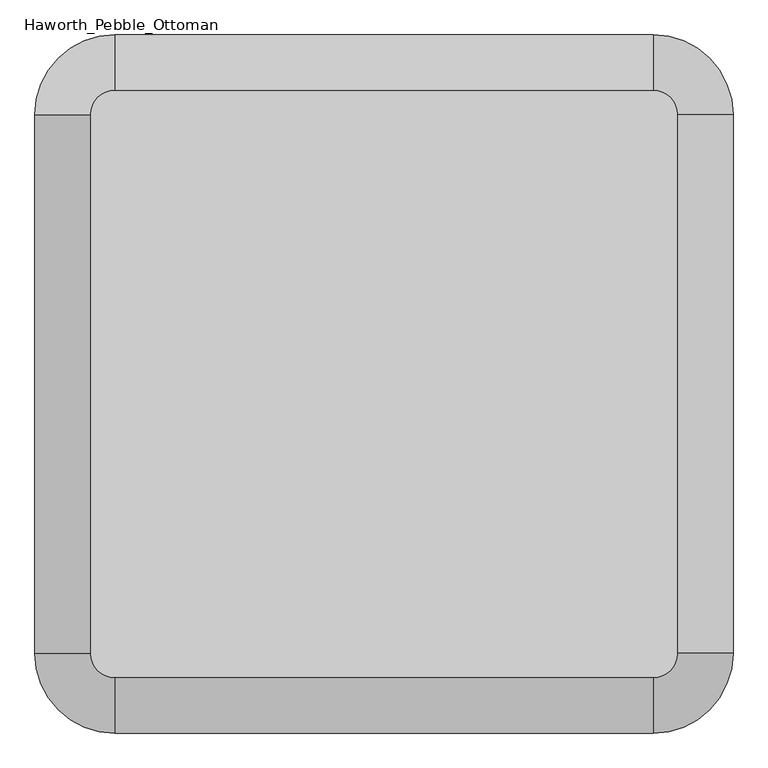
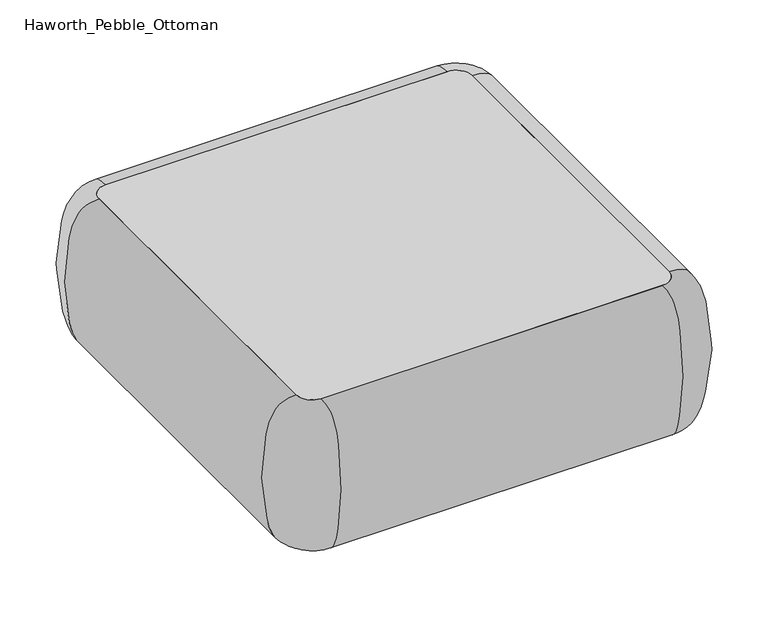
"""IFC4 building model written with IfcOpenShell, lengths in millimetres: furniture geometry, Haworth_Pebble_Ottoman."""

from ifc_helpers import new_model, si_unit, point, frame, frame_2d, origin, origin_with_axes, place, context, project, spatial, polyline, circle_curve, trimmed, segment, composite_curve, outline, extrude, source, transform, mapped, element, save
from ifc_brep_helpers import plane_surface, revolved_surface, extruded_surface, spline_curve, advanced_brep


def haworth_pebble_ottoman_b57986ad(model_context):
    return source(origin(), model_context, "Body", "SolidModel", [
        advanced_brep(
        [(-443.1410398, 63.0075367, 431.4267645), (-401.4691648, 104.6794117, 431.4267645), (-401.4691648, 104.6794117, 15.9000004), (-443.1410398, 63.0075367, 15.9000004), (-443.1410398, -858.249436, 15.9000004), (-443.1410398, -858.249436, 431.4267645), (519.7716742, 104.6794117, 431.4267645), (519.7716742, 104.6794117, 15.9000004), (-401.4691648, -899.921311, 431.4267645), (-401.4691648, -899.921311, 15.9000004), (519.7716742, -899.921311, 15.9000004), (519.7716742, -899.921311, 431.4267645), (561.4435492, -858.249436, 431.4267645), (561.4435492, -858.249436, 15.9000004), (561.4435492, 63.0075367, 15.9000004), (561.4435492, 63.0075367, 431.4267645)],
        [
            (0, 1, circle_curve(frame((-401.4691648, 63.0075367, 431.4267645), z_axis=(0.0, 0.0, -1.0), x_axis=(0.0, 1.0, 0.0)), 41.671875)),
            (1, 2, spline_curve(3, [(-401.4691648, 104.6794117, 431.4267645), (-401.4691648, 144.634981119, 431.4267645), (-401.4691648, 155.711319454, 418.111325992), (-401.4691648, 177.276123887, 387.074624676), (-401.4691648, 181.912418903, 372.805576067), (-401.4691648, 192.947844651, 318.739710756), (-401.4691648, 199.451872324, 272.461148795), (-401.4691648, 199.109257277, 183.217431721), (-401.4691648, 191.69901119, 140.468636482), (-401.4691648, 179.972265172, 86.422119583), (-401.4691648, 175.4225976, 69.442528942), (-401.4691648, 160.593087077, 40.550023909), (-401.4691648, 152.58572731, 28.736458982), (-401.4691648, 104.6794117, 15.9000004)], [4, 2, 2, 2, 2, 2, 4], [0.0, 0.14234338208612818, 0.3844442925433662, 0.7007195720884005, 1.0300826792167348, 1.2544468815012602, 1.4077182079104207])),
            (2, 3, circle_curve(frame((-401.4691648, 63.0075367, 15.9000004), z_axis=(0.0, 0.0, 1.0), x_axis=(0.0, 1.0, 0.0)), 41.671875)),
            (3, 0, spline_curve(3, [(-443.1410398, 63.0075367, 15.9000004), (-491.04735541, 63.0075367, 28.736458982), (-499.054715177, 63.0075367, 40.550023909), (-513.8842257, 63.0075367, 69.442528942), (-518.433893272, 63.0075367, 86.422119583), (-530.16063929, 63.0075367, 140.468636482), (-537.570885377, 63.0075367, 183.217431721), (-537.913500424, 63.0075367, 272.461148795), (-531.409472651, 63.0075367, 318.739710756), (-520.374046903, 63.0075367, 372.805576067), (-515.737751987, 63.0075367, 387.074624676), (-494.172947554, 63.0075367, 418.111325992), (-483.096609219, 63.0075367, 431.4267645), (-443.1410398, 63.0075367, 431.4267645)], [4, 2, 2, 2, 2, 2, 4], [0.0, 0.15327132640916052, 0.3776355286936859, 0.7069986358220202, 1.0232739153670545, 1.2653748258242925, 1.4077182079104207])),
            (2, 1),
            (0, 3),
            (3, 4),
            (4, 5, spline_curve(3, [(-443.1410398, -858.249436, 15.9000004), (-491.04735541, -858.249436, 28.736458982), (-499.054715177, -858.249436, 40.550023909), (-513.8842257, -858.249436, 69.442528942), (-518.433893272, -858.249436, 86.422119583), (-530.16063929, -858.249436, 140.468636482), (-537.570885377, -858.249436, 183.217431721), (-537.913500424, -858.249436, 272.461148795), (-531.409472651, -858.249436, 318.739710756), (-520.374046903, -858.249436, 372.805576067), (-515.737751987, -858.249436, 387.074624676), (-494.172947554, -858.249436, 418.111325992), (-483.096609219, -858.249436, 431.4267645), (-443.1410398, -858.249436, 431.4267645)], [4, 2, 2, 2, 2, 2, 4], [0.0, 0.15327132640916052, 0.3776355286936859, 0.7069986358220202, 1.0232739153670545, 1.2653748258242925, 1.4077182079104207])),
            (5, 0),
            (5, 4),
            (6, 7, spline_curve(3, [(519.7716742, 104.6794117, 431.4267645), (519.7716742, 144.634981119, 431.4267645), (519.7716742, 155.711319454, 418.111325992), (519.7716742, 177.276123887, 387.074624676), (519.7716742, 181.912418903, 372.805576067), (519.7716742, 192.947844651, 318.739710756), (519.7716742, 199.451872324, 272.461148795), (519.7716742, 199.109257277, 183.217431721), (519.7716742, 191.69901119, 140.468636482), (519.7716742, 179.972265172, 86.422119583), (519.7716742, 175.4225976, 69.442528942), (519.7716742, 160.593087077, 40.550023909), (519.7716742, 152.58572731, 28.736458982), (519.7716742, 104.6794117, 15.9000004)], [4, 2, 2, 2, 2, 2, 4], [0.0, 0.14234338208612818, 0.3844442925433662, 0.7007195720884005, 1.0300826792167348, 1.2544468815012602, 1.4077182079104207])),
            (7, 2),
            (1, 6),
            (7, 6),
            (8, 5, circle_curve(frame((-401.4691648, -858.249436, 431.4267645), z_axis=(0.0, 0.0, -1.0), x_axis=(-1.0, 0.0, 0.0)), 41.671875)),
            (4, 9, circle_curve(frame((-401.4691648, -858.249436, 15.9000004), z_axis=(0.0, 0.0, 1.0), x_axis=(-1.0, 0.0, 0.0)), 41.671875)),
            (9, 8, spline_curve(3, [(-401.4691648, -899.921311, 15.9000004), (-401.4691648, -947.82762661, 28.736458982), (-401.4691648, -955.834986277, 40.550023909), (-401.4691648, -970.6644968, 69.442528942), (-401.4691648, -975.214164372, 86.422119583), (-401.4691648, -986.94091039, 140.468636482), (-401.4691648, -994.351156477, 183.217431721), (-401.4691648, -994.693771524, 272.461148795), (-401.4691648, -988.189743851, 318.739710756), (-401.4691648, -977.154318103, 372.805576067), (-401.4691648, -972.518023087, 387.074624676), (-401.4691648, -950.953218654, 418.111325992), (-401.4691648, -939.876880419, 431.4267645), (-401.4691648, -899.921311, 431.4267645)], [4, 2, 2, 2, 2, 2, 4], [0.0, 0.15327132640916052, 0.3776355286936859, 0.7069986358220202, 1.0232739153670545, 1.2653748258242925, 1.4077182079104207])),
            (8, 9),
            (9, 10),
            (10, 11, spline_curve(3, [(519.7716742, -899.921311, 15.9000004), (519.7716742, -947.82762661, 28.736458982), (519.7716742, -955.834986277, 40.550023909), (519.7716742, -970.6644968, 69.442528942), (519.7716742, -975.214164372, 86.422119583), (519.7716742, -986.94091039, 140.468636482), (519.7716742, -994.351156477, 183.217431721), (519.7716742, -994.693771524, 272.461148795), (519.7716742, -988.189743851, 318.739710756), (519.7716742, -977.154318103, 372.805576067), (519.7716742, -972.518023087, 387.074624676), (519.7716742, -950.953218654, 418.111325992), (519.7716742, -939.876880419, 431.4267645), (519.7716742, -899.921311, 431.4267645)], [4, 2, 2, 2, 2, 2, 4], [0.0, 0.15327132640916052, 0.3776355286936859, 0.7069986358220202, 1.0232739153670545, 1.2653748258242925, 1.4077182079104207])),
            (11, 8),
            (11, 10),
            (12, 11, circle_curve(frame((519.7716742, -858.249436, 431.4267645), z_axis=(0.0, 0.0, -1.0), x_axis=(0.0, -1.0, 0.0)), 41.671875)),
            (10, 13, circle_curve(frame((519.7716742, -858.249436, 15.9000004), z_axis=(0.0, 0.0, 1.0), x_axis=(0.0, -1.0, 0.0)), 41.671875)),
            (13, 12, spline_curve(3, [(561.4435492, -858.249436, 15.9000004), (609.34986481, -858.249436, 28.736458982), (617.357224577, -858.249436, 40.550023909), (632.1867351, -858.249436, 69.442528942), (636.736402672, -858.249436, 86.422119583), (648.46314869, -858.249436, 140.468636482), (655.873394777, -858.249436, 183.217431721), (656.216009824, -858.249436, 272.461148795), (649.711982051, -858.249436, 318.739710756), (638.676556303, -858.249436, 372.805576067), (634.040261387, -858.249436, 387.074624676), (612.475456954, -858.249436, 418.111325992), (601.399118619, -858.249436, 431.4267645), (561.4435492, -858.249436, 431.4267645)], [4, 2, 2, 2, 2, 2, 4], [0.0, 0.15327132640916052, 0.3776355286936859, 0.7069986358220202, 1.0232739153670545, 1.2653748258242925, 1.4077182079104207])),
            (12, 13),
            (13, 14),
            (14, 15, spline_curve(3, [(561.4435492, 63.0075367, 15.9000004), (609.34986481, 63.0075367, 28.736458982), (617.357224577, 63.0075367, 40.550023909), (632.1867351, 63.0075367, 69.442528942), (636.736402672, 63.0075367, 86.422119583), (648.46314869, 63.0075367, 140.468636482), (655.873394777, 63.0075367, 183.217431721), (656.216009824, 63.0075367, 272.461148795), (649.711982051, 63.0075367, 318.739710756), (638.676556303, 63.0075367, 372.805576067), (634.040261387, 63.0075367, 387.074624676), (612.475456954, 63.0075367, 418.111325992), (601.399118619, 63.0075367, 431.4267645), (561.4435492, 63.0075367, 431.4267645)], [4, 2, 2, 2, 2, 2, 4], [0.0, 0.15327132640916052, 0.3776355286936859, 0.7069986358220202, 1.0232739153670545, 1.2653748258242925, 1.4077182079104207])),
            (15, 12),
            (15, 14),
            (6, 15, circle_curve(frame((519.7716742, 63.0075367, 431.4267645), z_axis=(0.0, 0.0, -1.0), x_axis=(1.0, 0.0, 0.0)), 41.671875)),
            (14, 7, circle_curve(frame((519.7716742, 63.0075367, 15.9000004), z_axis=(0.0, 0.0, 1.0), x_axis=(1.0, 0.0, 0.0)), 41.671875)),
        ],
        [
            revolved_surface(spline_curve(3, [(-401.4691648, 104.6794117, 15.9000004), (-401.4691648, 152.58572731, 28.736458982), (-401.4691648, 160.593087077, 40.550023909), (-401.4691648, 175.4225976, 69.442528942), (-401.4691648, 179.972265172, 86.422119583), (-401.4691648, 191.69901119, 140.468636482), (-401.4691648, 199.109257277, 183.217431721), (-401.4691648, 199.451872324, 272.461148795), (-401.4691648, 192.947844651, 318.739710756), (-401.4691648, 181.912418903, 372.805576067), (-401.4691648, 177.276123887, 387.074624676), (-401.4691648, 155.711319454, 418.111325992), (-401.4691648, 144.634981119, 431.4267645), (-401.4691648, 104.6794117, 431.4267645)], [4, 2, 2, 2, 2, 2, 4], [0.0, 0.15327132640916052, 0.3776355286936859, 0.7069986358220202, 1.0232739153670545, 1.2653748258242925, 1.4077182079104207]), (-401.4691648, 63.0075367, 584.2), (0.0, 0.0, 1.0)),
            revolved_surface(polyline([(-401.4691648, 104.6794117, 431.4267645), (-401.4691648, 104.6794117, 15.900000399999954)]), (-401.4691648, 63.0075367, 584.2), (0.0, 0.0, 1.0)),
            extruded_surface(spline_curve(3, [(-443.1410398, -858.249436, 15.9000004), (-491.04735541, -858.249436, 28.736458982), (-499.054715177, -858.249436, 40.550023909), (-513.8842257, -858.249436, 69.442528942), (-518.433893272, -858.249436, 86.422119583), (-530.16063929, -858.249436, 140.468636482), (-537.570885377, -858.249436, 183.217431721), (-537.913500424, -858.249436, 272.461148795), (-531.409472651, -858.249436, 318.739710756), (-520.374046903, -858.249436, 372.805576067), (-515.737751987, -858.249436, 387.074624676), (-494.172947554, -858.249436, 418.111325992), (-483.096609219, -858.249436, 431.4267645), (-443.1410398, -858.249436, 431.4267645)], [4, 2, 2, 2, 2, 2, 4], [0.0, 0.15327132640916052, 0.3776355286936859, 0.7069986358220202, 1.0232739153670545, 1.2653748258242925, 1.4077182079104207]), (0.0, 921.2569727, 0.0), 921.2569727),
            plane_surface(frame((-443.1410398, 63.0075367, 431.4267645), z_axis=(1.0, 0.0, 0.0), x_axis=(0.0, -1.0, 0.0))),
            extruded_surface(spline_curve(3, [(-401.4691648, 104.6794117, 15.9000004), (-401.4691648, 152.58572731, 28.736458982), (-401.4691648, 160.593087077, 40.550023909), (-401.4691648, 175.4225976, 69.442528942), (-401.4691648, 179.972265172, 86.422119583), (-401.4691648, 191.69901119, 140.468636482), (-401.4691648, 199.109257277, 183.217431721), (-401.4691648, 199.451872324, 272.461148795), (-401.4691648, 192.947844651, 318.739710756), (-401.4691648, 181.912418903, 372.805576067), (-401.4691648, 177.276123887, 387.074624676), (-401.4691648, 155.711319454, 418.111325992), (-401.4691648, 144.634981119, 431.4267645), (-401.4691648, 104.6794117, 431.4267645)], [4, 2, 2, 2, 2, 2, 4], [0.0, 0.15327132640916052, 0.3776355286936859, 0.7069986358220202, 1.0232739153670545, 1.2653748258242925, 1.4077182079104207]), (921.240839, 0.0, 0.0), 921.240839),
            plane_surface(frame((519.7716742, 104.6794117, 431.4267645), z_axis=(0.0, -1.0, 0.0), x_axis=(-1.0, 0.0, 0.0))),
            revolved_surface(spline_curve(3, [(-443.1410398, -858.249436, 15.9000004), (-491.04735541, -858.249436, 28.736458982), (-499.054715177, -858.249436, 40.550023909), (-513.8842257, -858.249436, 69.442528942), (-518.433893272, -858.249436, 86.422119583), (-530.16063929, -858.249436, 140.468636482), (-537.570885377, -858.249436, 183.217431721), (-537.913500424, -858.249436, 272.461148795), (-531.409472651, -858.249436, 318.739710756), (-520.374046903, -858.249436, 372.805576067), (-515.737751987, -858.249436, 387.074624676), (-494.172947554, -858.249436, 418.111325992), (-483.096609219, -858.249436, 431.4267645), (-443.1410398, -858.249436, 431.4267645)], [4, 2, 2, 2, 2, 2, 4], [0.0, 0.15327132640916052, 0.3776355286936859, 0.7069986358220202, 1.0232739153670545, 1.2653748258242925, 1.4077182079104207]), (-401.4691648, -858.249436, 584.2), (0.0, 0.0, 1.0)),
            revolved_surface(polyline([(-443.1410398, -858.249436, 431.4267645), (-443.1410398, -858.249436, 15.900000399999954)]), (-401.4691648, -858.249436, 584.2), (0.0, 0.0, 1.0)),
            extruded_surface(spline_curve(3, [(519.7716742, -899.921311, 15.9000004), (519.7716742, -947.82762661, 28.736458982), (519.7716742, -955.834986277, 40.550023909), (519.7716742, -970.6644968, 69.442528942), (519.7716742, -975.214164372, 86.422119583), (519.7716742, -986.94091039, 140.468636482), (519.7716742, -994.351156477, 183.217431721), (519.7716742, -994.693771524, 272.461148795), (519.7716742, -988.189743851, 318.739710756), (519.7716742, -977.154318103, 372.805576067), (519.7716742, -972.518023087, 387.074624676), (519.7716742, -950.953218654, 418.111325992), (519.7716742, -939.876880419, 431.4267645), (519.7716742, -899.921311, 431.4267645)], [4, 2, 2, 2, 2, 2, 4], [0.0, 0.15327132640916052, 0.3776355286936859, 0.7069986358220202, 1.0232739153670545, 1.2653748258242925, 1.4077182079104207]), (-921.240839, 0.0, 0.0), 921.240839),
            plane_surface(frame((-401.4691648, -899.921311, 431.4267645), z_axis=(0.0, 1.0, 0.0), x_axis=(1.0, 0.0, 0.0))),
            revolved_surface(spline_curve(3, [(519.7716742, -899.921311, 15.9000004), (519.7716742, -947.82762661, 28.736458982), (519.7716742, -955.834986277, 40.550023909), (519.7716742, -970.6644968, 69.442528942), (519.7716742, -975.214164372, 86.422119583), (519.7716742, -986.94091039, 140.468636482), (519.7716742, -994.351156477, 183.217431721), (519.7716742, -994.693771524, 272.461148795), (519.7716742, -988.189743851, 318.739710756), (519.7716742, -977.154318103, 372.805576067), (519.7716742, -972.518023087, 387.074624676), (519.7716742, -950.953218654, 418.111325992), (519.7716742, -939.876880419, 431.4267645), (519.7716742, -899.921311, 431.4267645)], [4, 2, 2, 2, 2, 2, 4], [0.0, 0.15327132640916052, 0.3776355286936859, 0.7069986358220202, 1.0232739153670545, 1.2653748258242925, 1.4077182079104207]), (519.7716742, -858.249436, 584.2), (0.0, 0.0, 1.0)),
            revolved_surface(polyline([(519.7716742, -899.921311, 431.4267645), (519.7716742, -899.921311, 15.900000399999954)]), (519.7716742, -858.249436, 584.2), (0.0, 0.0, 1.0)),
            extruded_surface(spline_curve(3, [(561.4435492, 63.0075367, 15.9000004), (609.34986481, 63.0075367, 28.736458982), (617.357224577, 63.0075367, 40.550023909), (632.1867351, 63.0075367, 69.442528942), (636.736402672, 63.0075367, 86.422119583), (648.46314869, 63.0075367, 140.468636482), (655.873394777, 63.0075367, 183.217431721), (656.216009824, 63.0075367, 272.461148795), (649.711982051, 63.0075367, 318.739710756), (638.676556303, 63.0075367, 372.805576067), (634.040261387, 63.0075367, 387.074624676), (612.475456954, 63.0075367, 418.111325992), (601.399118619, 63.0075367, 431.4267645), (561.4435492, 63.0075367, 431.4267645)], [4, 2, 2, 2, 2, 2, 4], [0.0, 0.15327132640916052, 0.3776355286936859, 0.7069986358220202, 1.0232739153670545, 1.2653748258242925, 1.4077182079104207]), (0.0, -921.2569727, 0.0), 921.2569727),
            plane_surface(frame((561.4435492, -858.249436, 431.4267645), z_axis=(-1.0, 0.0, 0.0), x_axis=(0.0, 1.0, 0.0))),
            revolved_surface(spline_curve(3, [(561.4435492, 63.0075367, 15.9000004), (609.34986481, 63.0075367, 28.736458982), (617.357224577, 63.0075367, 40.550023909), (632.1867351, 63.0075367, 69.442528942), (636.736402672, 63.0075367, 86.422119583), (648.46314869, 63.0075367, 140.468636482), (655.873394777, 63.0075367, 183.217431721), (656.216009824, 63.0075367, 272.461148795), (649.711982051, 63.0075367, 318.739710756), (638.676556303, 63.0075367, 372.805576067), (634.040261387, 63.0075367, 387.074624676), (612.475456954, 63.0075367, 418.111325992), (601.399118619, 63.0075367, 431.4267645), (561.4435492, 63.0075367, 431.4267645)], [4, 2, 2, 2, 2, 2, 4], [0.0, 0.15327132640916052, 0.3776355286936859, 0.7069986358220202, 1.0232739153670545, 1.2653748258242925, 1.4077182079104207]), (519.7716742, 63.0075367, 584.2), (0.0, 0.0, 1.0)),
            revolved_surface(polyline([(561.4435492, 63.0075367, 431.4267645), (561.4435492, 63.0075367, 15.900000399999954)]), (519.7716742, 63.0075367, 584.2), (0.0, 0.0, 1.0)),
        ],
        [
            (0, [[1, 2, 3, 4]]),
            (1, [[-3, 5, -1, 6]]),
            (2, [[-4, 7, 8, 9]]),
            (3, [[-6, -9, 10, -7]]),
            (4, [[11, 12, -2, 13]]),
            (5, [[14, -13, -5, -12]]),
            (6, [[15, -8, 16, 17]]),
            (7, [[-16, -10, -15, 18]]),
            (8, [[-17, 19, 20, 21]]),
            (9, [[-18, -21, 22, -19]]),
            (10, [[23, -20, 24, 25]]),
            (11, [[-24, -22, -23, 26]]),
            (12, [[-25, 27, 28, 29]]),
            (13, [[-26, -29, 30, -27]]),
            (14, [[31, -28, 32, -11]]),
            (15, [[-32, -30, -31, -14]]),
        ],
    ),
        extrude(outline(composite_curve([segment(trimmed(circle_curve(frame_2d((519.8966445, 63.1244402)), 41.671875), [point((519.8966445, 104.7963152))], [point((561.5685195, 63.1244402))], False, "CARTESIAN"), True, "CONTINUOUS"), segment(polyline([(561.5685195, 63.1244402), (561.5685195, -858.3663394)]), True, "CONTINUOUS"), segment(trimmed(circle_curve(frame_2d((519.8966445, -858.3663394)), 41.671875), [point((561.5685195, -858.3663394))], [point((519.8966445, -900.0382144))], False, "CARTESIAN"), True, "CONTINUOUS"), segment(polyline([(519.8966445, -900.0382144), (-401.5941351, -900.0382144)]), True, "CONTINUOUS"), segment(trimmed(circle_curve(frame_2d((-401.5941351, -858.3663394)), 41.671875), [point((-401.5941351, -900.0382144))], [point((-443.2660101, -858.3663394))], False, "CARTESIAN"), True, "CONTINUOUS"), segment(polyline([(-443.2660101, -858.3663394), (-443.2660101, 63.1244402)]), True, "CONTINUOUS"), segment(trimmed(circle_curve(frame_2d((-401.5941351, 63.1244402)), 41.671875), [point((-443.2660101, 63.1244402))], [point((-401.5941351, 104.7963152))], False, "CARTESIAN"), True, "CONTINUOUS"), segment(polyline([(-401.5941351, 104.7963152), (519.8966445, 104.7963152)]), True, "CONTINUOUS")], self_intersect=False)), frame((0.0, 0.0, 15.9000004), z_axis=(0.0, 0.0, 1.0), x_axis=(1.0, 0.0, 0.0)), (0.0, 0.0, 1.0), 415.8999996),
        extrude(outline(composite_curve([segment(trimmed(circle_curve(frame_2d((498.8887547, -837.3584496)), 30.1625), [point((468.7262547, -837.3584496))], [point((529.0512547, -837.3584496))], False, "CARTESIAN"), True, "CONTINUOUS"), segment(trimmed(circle_curve(frame_2d((498.8887547, -837.3584496)), 30.1625), [point((529.0512547, -837.3584496))], [point((468.7262547, -837.3584496))], False, "CARTESIAN"), True, "CONTINUOUS")], self_intersect=False)), origin_with_axes(), (0.0, 0.0, 1.0), 15.9000004),
        extrude(outline(composite_curve([segment(trimmed(circle_curve(frame_2d((-380.5862453, -837.3584496)), 30.1625), [point((-350.4237453, -837.3584496))], [point((-410.7487453, -837.3584496))], False, "CARTESIAN"), True, "CONTINUOUS"), segment(trimmed(circle_curve(frame_2d((-380.5862453, -837.3584496)), 30.1625), [point((-410.7487453, -837.3584496))], [point((-350.4237453, -837.3584496))], False, "CARTESIAN"), True, "CONTINUOUS")], self_intersect=False)), origin_with_axes(), (0.0, 0.0, 1.0), 15.9000004),
        extrude(outline(composite_curve([segment(trimmed(circle_curve(frame_2d((498.8887547, 42.1165504)), 30.1625), [point((468.7262547, 42.1165504))], [point((529.0512547, 42.1165504))], False, "CARTESIAN"), True, "CONTINUOUS"), segment(trimmed(circle_curve(frame_2d((498.8887547, 42.1165504)), 30.1625), [point((529.0512547, 42.1165504))], [point((468.7262547, 42.1165504))], False, "CARTESIAN"), True, "CONTINUOUS")], self_intersect=False)), origin_with_axes(), (0.0, 0.0, 1.0), 15.9000004),
        extrude(outline(composite_curve([segment(trimmed(circle_curve(frame_2d((-380.5862453, 42.1165504)), 30.1625), [point((-350.4237453, 42.1165504))], [point((-410.7487453, 42.1165504))], False, "CARTESIAN"), True, "CONTINUOUS"), segment(trimmed(circle_curve(frame_2d((-380.5862453, 42.1165504)), 30.1625), [point((-410.7487453, 42.1165504))], [point((-350.4237453, 42.1165504))], False, "CARTESIAN"), True, "CONTINUOUS")], self_intersect=False)), origin_with_axes(), (0.0, 0.0, 1.0), 15.9000004),
    ])


if __name__ == "__main__":
    model = new_model("IFC4")
    model_context = context("Model", 3, world=origin())
    ifc_project = project(units=[si_unit("LENGTHUNIT", "METRE", prefix="MILLI")], contexts=[model_context])
    site = spatial("IfcSite", under=ifc_project)
    building = spatial("IfcBuilding", under=site)
    placement = place(None, origin())
    haworth_pebble_ottoman_shape = haworth_pebble_ottoman_b57986ad(model_context)
    element("IfcFurniture", 1, ObjectType="Haworth_Pebble_Ottoman", at=placement, inside=building, context=model_context, shape_type="MappedRepresentation", body=[
        mapped(haworth_pebble_ottoman_shape, transform((0.0, 0.0, 0.0), x_axis=(1.0, 0.0, 0.0), y_axis=(0.0, 1.0, 0.0), z_axis=(0.0, 0.0, 1.0))),
    ])
    save(model, "model.ifc")
